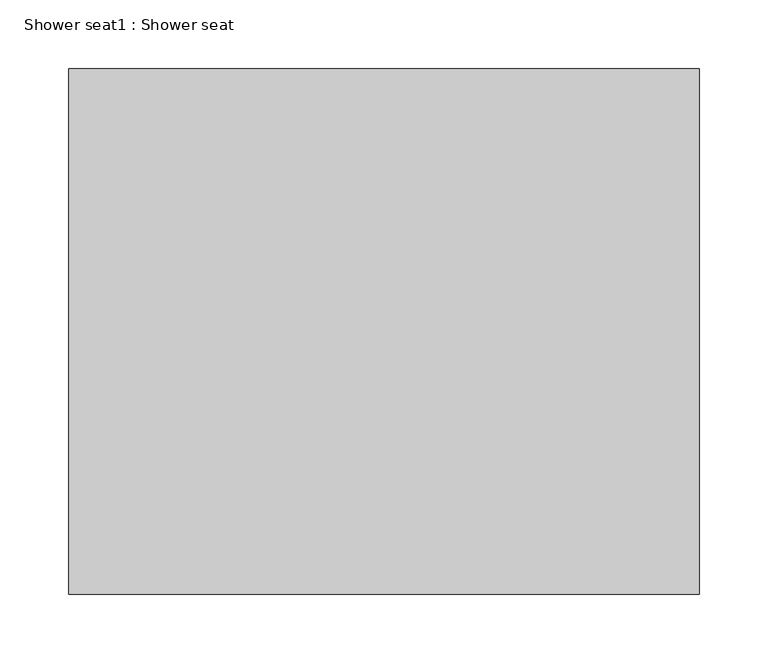
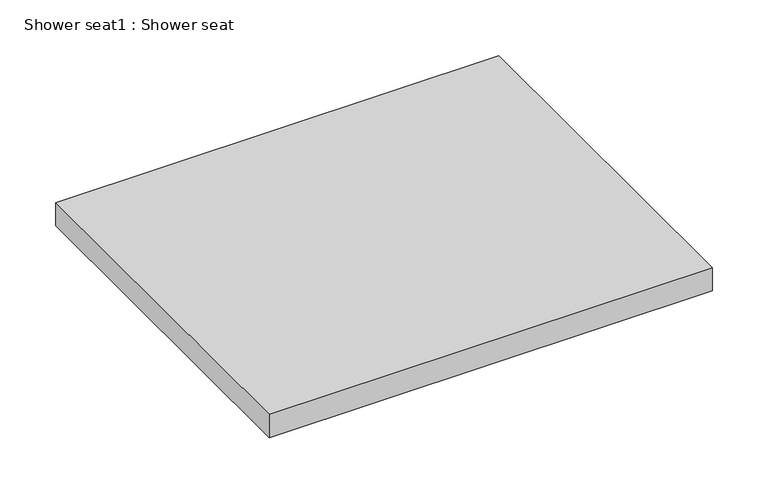
"""IFC4 building model written with IfcOpenShell, lengths in millimetres: proxy geometry, Shower seat1 : Shower seat."""

import ifcopenshell
import ifcopenshell.guid

model = None  # the IFC model being written
_history = None  # IfcOwnerHistory: only IFC2X3 demands one
_inside = {}  # id of a spatial element -> (the spatial element, [elements in it])
_under = {}  # id of a project, library or spatial element -> (it, [spatial elements below it])
_declared = {}  # id of a project -> (the project, [libraries it declares])
_typed = {}  # id of a type object -> (the type object, [elements of that type])
_made_of = {}  # id of a material, layer set ... -> (it, [elements and type objects made of it])


def new_model(schema):
    """Start an empty IFC model of exactly this schema.

    Asked for "IFC4X3", IfcOpenShell would pick the latest addendum, in which some entities
    have other attributes; the version numbers below select the first issue.
    IFC2X3 requires an IfcOwnerHistory on every rooted entity: one is made here for all.
    """
    global model, _history
    if schema == "IFC4X3":
        model = ifcopenshell.file(schema_version=(4, 3, 0, 0))
    else:
        model = ifcopenshell.file(schema=schema)
    _inside.clear()
    _under.clear()
    _declared.clear()
    _typed.clear()
    _made_of.clear()
    _history = None
    if model.schema == "IFC2X3":
        org = make("IfcOrganization", Name="unknown")
        user = make(
            "IfcPersonAndOrganization",
            ThePerson=make("IfcPerson", FamilyName="unknown"),
            TheOrganization=org,
        )
        app = make(
            "IfcApplication",
            ApplicationDeveloper=org,
            Version="unknown",
            ApplicationFullName="unknown",
            ApplicationIdentifier="unknown",
        )
        _history = make(
            "IfcOwnerHistory",
            OwningUser=user,
            OwningApplication=app,
            ChangeAction="ADDED",
            CreationDate=0,
        )
    return model


def make(cls, **values):
    """One entity of the class cls with the attributes given. An attribute that is None is left unset."""
    return model.create_entity(
        cls, **{name: value for name, value in values.items() if value is not None}
    )


def rooted(cls, **values):
    """An entity with a GlobalId (a new one), such as an element, a storey or a relation."""
    return make(cls, GlobalId=ifcopenshell.guid.new(), OwnerHistory=_history, **values)


def si_unit(unit_type, name, prefix=None):
    """IfcSIUnit, for example si_unit("LENGTHUNIT", "METRE", prefix="MILLI")."""
    return make("IfcSIUnit", UnitType=unit_type, Prefix=prefix, Name=name)


def assignment(units):
    """IfcUnitAssignment: the units of a project."""
    return None if units is None else make("IfcUnitAssignment", Units=units)


def point(xyz):
    """IfcCartesianPoint."""
    return None if xyz is None else make("IfcCartesianPoint", Coordinates=xyz)


def direction(xyz):
    """IfcDirection."""
    return None if xyz is None else make("IfcDirection", DirectionRatios=xyz)


def frame(location, z_axis=None, x_axis=None):
    """IfcAxis2Placement3D, a coordinate frame: its origin and axes. An axis left out is left unset."""
    return make(
        "IfcAxis2Placement3D",
        Location=point(location),
        Axis=direction(z_axis),
        RefDirection=direction(x_axis),
    )


def origin():
    """The frame at (0, 0, 0) with its axes left unset."""
    return frame((0.0, 0.0, 0.0))


def place(relative_to, where):
    """IfcLocalPlacement: puts the frame where relative to a parent placement (None: the world)."""
    return make(
        "IfcLocalPlacement", PlacementRelTo=relative_to, RelativePlacement=where
    )


def context(
    kind, dimensions, precision=None, world=None, true_north=None, identifier=None
):
    """IfcGeometricRepresentationContext, for example the 3D "Model" context."""
    return make(
        "IfcGeometricRepresentationContext",
        ContextIdentifier=identifier,
        ContextType=kind,
        CoordinateSpaceDimension=dimensions,
        Precision=precision,
        WorldCoordinateSystem=world,
        TrueNorth=true_north,
    )


def project(units=None, contexts=None):
    """IfcProject with its units and contexts."""
    return rooted(
        "IfcProject",
        Name="project",
        RepresentationContexts=contexts,
        UnitsInContext=assignment(units),
    )


def spatial(cls, under=None, at=None, **own):
    """A site, building, storey or space (cls), placed at a placement, below another one or the project."""
    s = rooted(cls, ObjectPlacement=at, **own)
    if under is not None:
        _under.setdefault(under.id(), (under, []))[1].append(s)
    return s


def polyline(points):
    """IfcPolyline through the points."""
    return make("IfcPolyline", Points=[point(p) for p in points])


def outline(outer, holes=None, kind="AREA"):
    """IfcArbitraryClosedProfileDef: a profile drawn as a closed curve; with holes, ...WithVoids."""
    if holes is None:
        return make("IfcArbitraryClosedProfileDef", ProfileType=kind, OuterCurve=outer)
    return make(
        "IfcArbitraryProfileDefWithVoids",
        ProfileType=kind,
        OuterCurve=outer,
        InnerCurves=holes,
    )


def extrude(swept, where, along, depth):
    """IfcExtrudedAreaSolid: the profile swept, set in the frame where, extruded along a direction by depth."""
    return make(
        "IfcExtrudedAreaSolid",
        SweptArea=swept,
        Position=where,
        ExtrudedDirection=direction(along),
        Depth=depth,
    )


def shape(context_of_items, identifier, shape_type, items):
    """IfcShapeRepresentation: the items that make up one representation, for example the "Body"."""
    return make(
        "IfcShapeRepresentation",
        ContextOfItems=context_of_items,
        RepresentationIdentifier=identifier,
        RepresentationType=shape_type,
        Items=items,
    )


def source(mapping_origin, context_of_items, identifier, shape_type, items):
    """IfcRepresentationMap: a shape defined once, which mapped items show again and again."""
    return make(
        "IfcRepresentationMap",
        MappingOrigin=mapping_origin,
        MappedRepresentation=shape(context_of_items, identifier, shape_type, items),
    )


def transform(
    local_origin,
    x_axis=None,
    y_axis=None,
    z_axis=None,
    scale=None,
    scale2=None,
    scale3=None,
    uniform=True,
):
    """IfcCartesianTransformationOperator3D, or its non-uniform kind. x_axis, y_axis, z_axis: its Axis1, 2, 3."""
    if uniform:
        return make(
            "IfcCartesianTransformationOperator3D",
            Axis1=direction(x_axis),
            Axis2=direction(y_axis),
            LocalOrigin=point(local_origin),
            Scale=scale,
            Axis3=direction(z_axis),
        )
    return make(
        "IfcCartesianTransformationOperator3DnonUniform",
        Axis1=direction(x_axis),
        Axis2=direction(y_axis),
        LocalOrigin=point(local_origin),
        Scale=scale,
        Axis3=direction(z_axis),
        Scale2=scale2,
        Scale3=scale3,
    )


def mapped(mapping_source, mapping_target):
    """IfcMappedItem: shows the shape of a source again, moved by a transform."""
    return make(
        "IfcMappedItem", MappingSource=mapping_source, MappingTarget=mapping_target
    )


def made_of(thing, what):
    """Note that an element or type object is made of a material, layer set ...; save() writes the relation."""
    if what is not None:
        _made_of.setdefault(what.id(), (what, []))[1].append(thing)
    return thing


def element(
    cls,
    number,
    at=None,
    inside=None,
    cuts=None,
    type_object=None,
    material=None,
    context=None,
    identifier="Body",
    shape_type=None,
    held_by="IfcProductDefinitionShape",
    body=None,
    shapes=None,
    **own,
):
    """One element of the class cls, such as IfcWall. Its Tag is "e" and its number.

    at: its placement. inside: the storey or other place that contains it. cuts: it is an
    opening in that element (IfcRelVoidsElement). A single representation is given by context,
    identifier, shape_type and body (its items); several are given by shapes. held_by: the class
    of the entity that holds the representations. save() writes the other relations.
    """
    e = rooted(cls, Tag="e%d" % number, ObjectPlacement=at, **own)
    if body is not None:
        shapes = [shape(context, identifier, shape_type, body)]
    if shapes is not None:
        e.Representation = make(held_by, Representations=shapes)
    if inside is not None:
        _inside.setdefault(inside.id(), (inside, []))[1].append(e)
    if cuts is not None:
        rooted(
            "IfcRelVoidsElement", RelatingBuildingElement=cuts, RelatedOpeningElement=e
        )
    if type_object is not None:
        _typed.setdefault(type_object.id(), (type_object, []))[1].append(e)
    return made_of(e, material)


def aggregate(whole, parts):
    """IfcRelAggregates: a whole, such as a stair, and the parts it consists of."""
    return rooted("IfcRelAggregates", RelatingObject=whole, RelatedObjects=parts)


def save(model, path):
    """Write the relations noted so far, then the file.

    IfcRelAggregates (storeys below a building ...), IfcRelContainedInSpatialStructure (elements
    in a storey), IfcRelDefinesByType, IfcRelAssociatesMaterial and IfcRelDeclares: one each for
    every whole, place, type object, material and project.
    """
    for whole, parts in _under.values():
        aggregate(whole, parts)
    for where, things in _inside.values():
        rooted(
            "IfcRelContainedInSpatialStructure",
            RelatedElements=things,
            RelatingStructure=where,
        )
    for kind, things in _typed.values():
        rooted("IfcRelDefinesByType", RelatedObjects=things, RelatingType=kind)
    for what, things in _made_of.values():
        rooted("IfcRelAssociatesMaterial", RelatedObjects=things, RelatingMaterial=what)
    for by, libraries in _declared.values():
        rooted("IfcRelDeclares", RelatingContext=by, RelatedDefinitions=libraries)
    model.write(path)


def shower_seat1_shower_seat_82ead158(model_context):
    return source(origin(), model_context, "Body", "SweptSolid", [
        extrude(outline(polyline([(-21557.9380187, -64095.8943526), (-21100.7380187, -64095.8943526), (-21100.7380187, -64476.8943526), (-21557.9380187, -64476.8943526), (-21557.9380187, -64095.8943526)])), frame((0.0, 0.0, 457.2), z_axis=(0.0, 0.0, 1.0), x_axis=(1.0, 0.0, 0.0)), (0.0, 0.0, 1.0), 25.4),
    ])


if __name__ == "__main__":
    model = new_model("IFC4")
    model_context = context("Model", 3, world=origin())
    ifc_project = project(units=[si_unit("LENGTHUNIT", "METRE", prefix="MILLI")], contexts=[model_context])
    site = spatial("IfcSite", under=ifc_project)
    building = spatial("IfcBuilding", under=site)
    placement = place(None, origin())
    shower_seat1_shower_seat_shape = shower_seat1_shower_seat_82ead158(model_context)
    element("IfcBuildingElementProxy", 1, Name="Shower seat1 : Shower seat", ObjectType="Shower seat1 : Shower seat", at=placement, inside=building, context=model_context, shape_type="MappedRepresentation", body=[
        mapped(shower_seat1_shower_seat_shape, transform((0.0, 0.0, 0.0), x_axis=(1.0, 0.0, 0.0), y_axis=(0.0, 1.0, 0.0), z_axis=(0.0, 0.0, 1.0))),
    ])
    save(model, "model.ifc")
